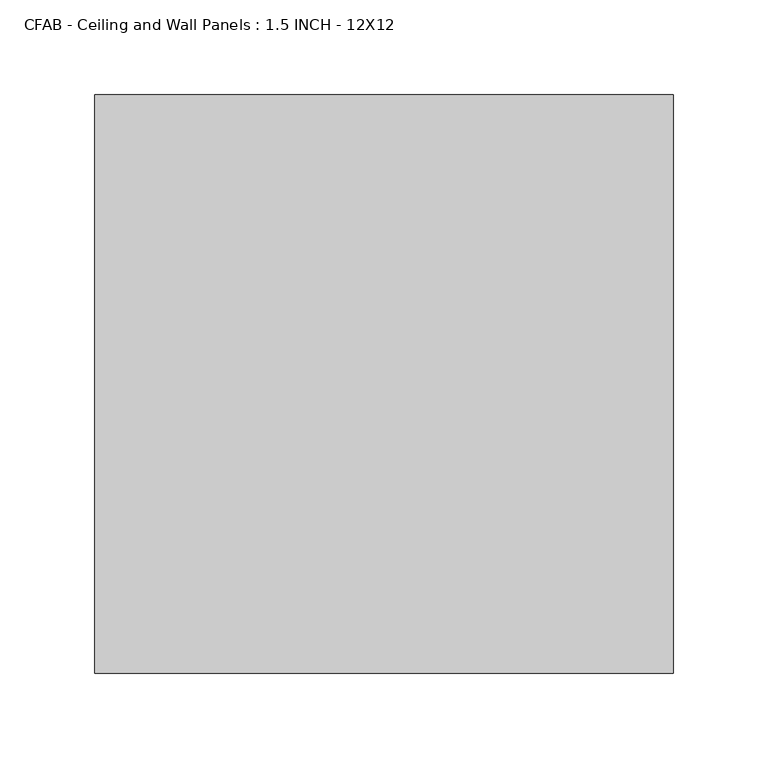
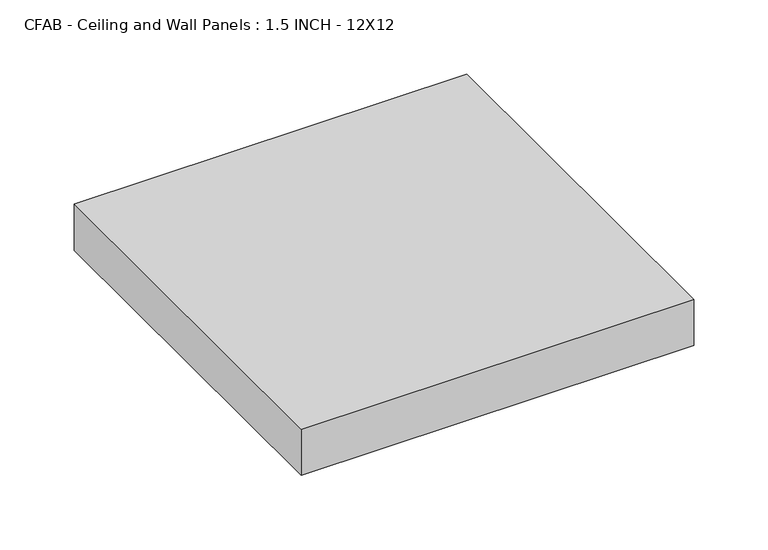
"""IFC4 building model written with IfcOpenShell, lengths in millimetres: proxy geometry, CFAB - Ceiling and Wall Panels : 1.5 INCH - 12X12."""

from ifc_helpers import new_model, si_unit, origin, origin_with_axes, place, context, project, spatial, polyline, outline, extrude, source, transform, mapped, element, save


def cfab_ceiling_and_wall_panels_1_5_inch_12x12_cf7d292f(model_context):
    return source(origin(), model_context, "Body", "SweptSolid", [
        extrude(outline(polyline([(-152.4, 152.4), (152.4, 152.4), (152.4, -152.4), (-152.4, -152.4), (-152.4, 152.4)])), origin_with_axes(), (0.0, 0.0, 1.0), 38.1),
    ])


if __name__ == "__main__":
    model = new_model("IFC4")
    model_context = context("Model", 3, world=origin())
    ifc_project = project(units=[si_unit("LENGTHUNIT", "METRE", prefix="MILLI")], contexts=[model_context])
    site = spatial("IfcSite", under=ifc_project)
    building = spatial("IfcBuilding", under=site)
    placement = place(None, origin())
    cfab_ceiling_and_wall_panels_1_5_inch_12x12_shape = cfab_ceiling_and_wall_panels_1_5_inch_12x12_cf7d292f(model_context)
    element("IfcBuildingElementProxy", 1, Name="CFAB - Ceiling and Wall Panels : 1.5 INCH - 12X12", ObjectType="CFAB - Ceiling and Wall Panels : 1.5 INCH - 12X12", at=placement, inside=building, context=model_context, shape_type="MappedRepresentation", body=[
        mapped(cfab_ceiling_and_wall_panels_1_5_inch_12x12_shape, transform((0.0, 0.0, 0.0), x_axis=(1.0, 0.0, 0.0), y_axis=(0.0, 1.0, 0.0), z_axis=(0.0, 0.0, 1.0))),
    ])
    save(model, "model.ifc")
